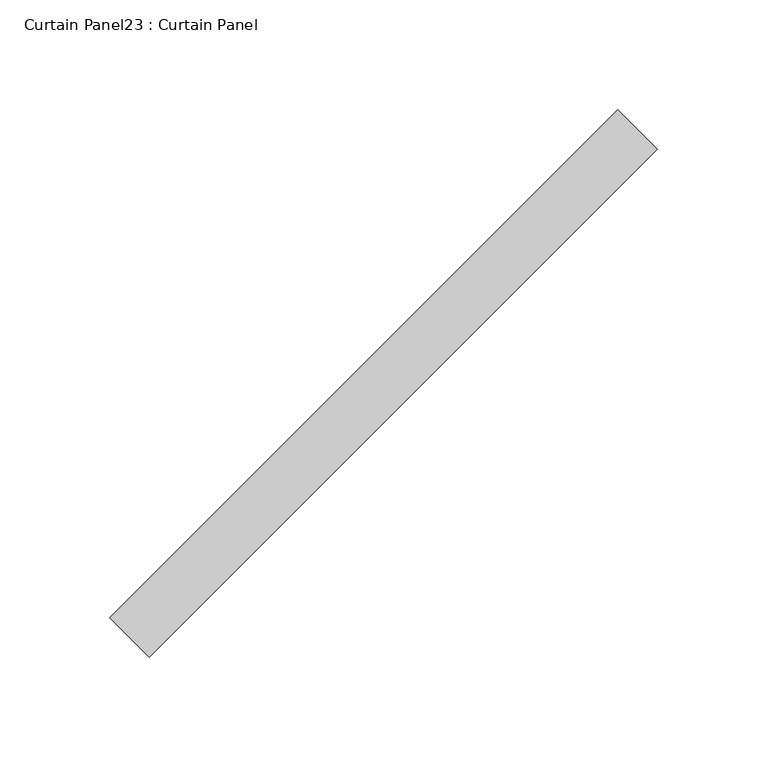
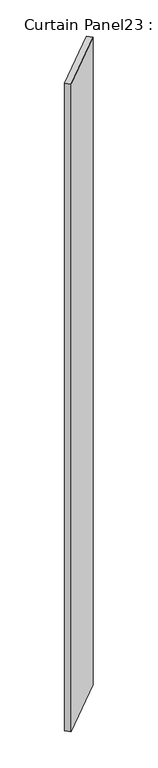
"""IFC4 building model written with IfcOpenShell, lengths in millimetres: plate geometry, Curtain Panel23 : Curtain Panel."""

from ifc_helpers import new_model, si_unit, frame, origin, place, context, project, spatial, polyline, outline, extrude, source, transform, mapped, element, save


def curtain_panel23_curtain_panel_9a3134c6(model_context):
    return source(origin(), model_context, "Body", "SweptSolid", [
        extrude(outline(polyline([(66246.0939249, 2504.3751149), (66477.3354399, 2735.61663), (66495.2959522, 2717.6561177), (66264.0544371, 2486.4146027), (66246.0939249, 2504.3751149)])), frame((0.0, 0.0, -994.8126169), z_axis=(0.0, 0.0, 1.0), x_axis=(1.0, 0.0, 0.0)), (0.0, 0.0, 1.0), 3048.0),
    ])


if __name__ == "__main__":
    model = new_model("IFC4")
    model_context = context("Model", 3, world=origin())
    ifc_project = project(units=[si_unit("LENGTHUNIT", "METRE", prefix="MILLI")], contexts=[model_context])
    site = spatial("IfcSite", under=ifc_project)
    building = spatial("IfcBuilding", under=site)
    placement = place(None, origin())
    curtain_panel23_curtain_panel_shape = curtain_panel23_curtain_panel_9a3134c6(model_context)
    element("IfcPlate", 1, ObjectType="Curtain Panel23 : Curtain Panel", at=placement, inside=building, context=model_context, shape_type="MappedRepresentation", body=[
        mapped(curtain_panel23_curtain_panel_shape, transform((0.0, 0.0, 0.0), x_axis=(1.0, 0.0, 0.0), y_axis=(0.0, 1.0, 0.0), z_axis=(0.0, 0.0, 1.0))),
    ])
    save(model, "model.ifc")
